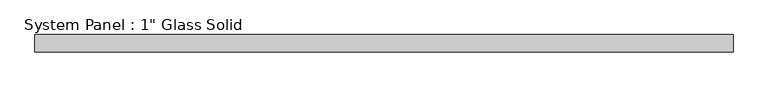
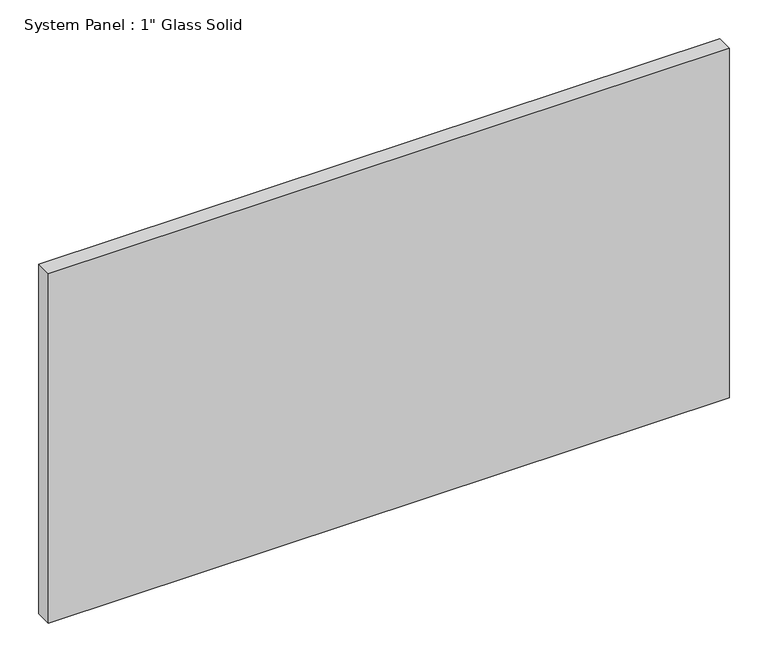
"""IFC4 building model written with IfcOpenShell, lengths in millimetres: plate geometry."""

from ifc_helpers import new_model, si_unit, origin, origin_with_axes, place, context, project, spatial, polyline, outline, extrude, source, transform, mapped, element, save


def plate_e46a758d(model_context):
    return source(origin(), model_context, "Body", "SweptSolid", [
        extrude(outline(polyline([(509.0583333, -12.7), (-509.0583333, -12.7), (-509.0583333, 12.7), (509.0583333, 12.7), (509.0583333, -12.7)])), origin_with_axes(), (0.0, 0.0, 1.0), 552.45),
    ])


if __name__ == "__main__":
    model = new_model("IFC4")
    model_context = context("Model", 3, world=origin())
    ifc_project = project(units=[si_unit("LENGTHUNIT", "METRE", prefix="MILLI")], contexts=[model_context])
    site = spatial("IfcSite", under=ifc_project)
    building = spatial("IfcBuilding", under=site)
    placement = place(None, origin())
    plate_shape = plate_e46a758d(model_context)
    element("IfcPlate", 1, ObjectType="System Panel : 1\" Glass Solid", at=placement, inside=building, context=model_context, shape_type="MappedRepresentation", body=[
        mapped(plate_shape, transform((0.0, 0.0, 0.0), x_axis=(1.0, 0.0, 0.0), y_axis=(0.0, 1.0, 0.0), z_axis=(0.0, 0.0, 1.0))),
    ])
    save(model, "model.ifc")
